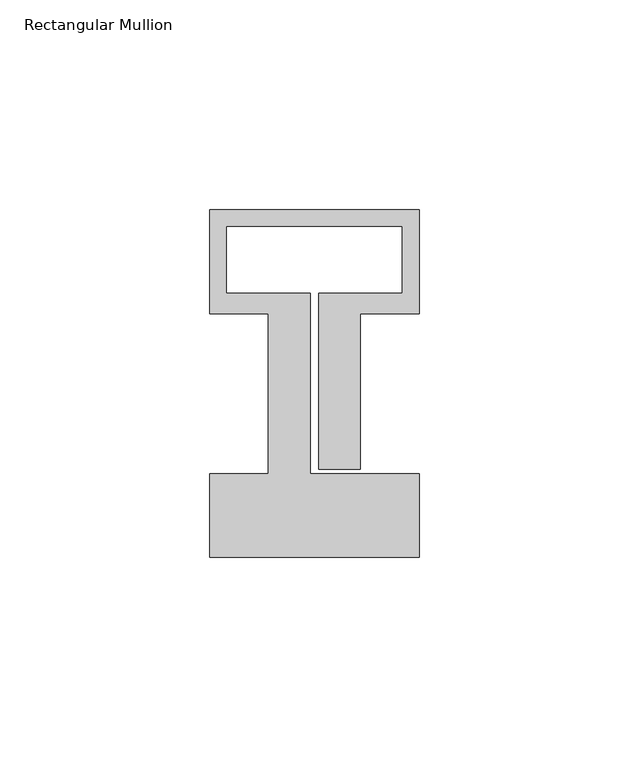
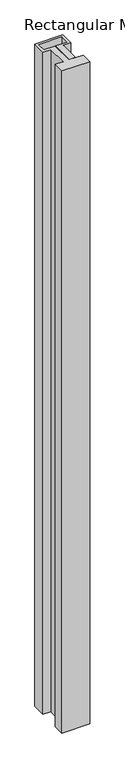
"""IFC4 building model written with IfcOpenShell, lengths in millimetres: member geometry, Rectangular Mullion."""

from ifc_helpers import new_model, si_unit, frame, origin, place, context, project, spatial, polyline, outline, extrude, source, transform, mapped, element, save


def rectangular_mullion_b8fa3d7c(model_context):
    return source(origin(), model_context, "Body", "SweptSolid", [
        extrude(outline(polyline([(-50.0, -58.0), (-50.0, -38.0), (-36.0, -38.0), (-36.0, 0.1), (-50.0, 0.1), (-50.0, 25.0), (0.0, 25.0), (0.0, 0.1), (-14.0, 0.1), (-14.0, -37.0), (-24.0, -37.0), (-24.0, 5.0), (-4.0, 5.0), (-4.0, 21.0), (-46.0, 21.0), (-46.0, 5.0), (-26.0, 5.0), (-26.0, -38.0), (0.0, -38.0), (0.0, -58.0), (-50.0, -58.0)])), frame((0.0, 0.0, -1253.5714288), z_axis=(0.0, 0.0, 1.0), x_axis=(1.0, 0.0, 0.0)), (0.0, 0.0, 1.0), 1253.5714288),
    ])


if __name__ == "__main__":
    model = new_model("IFC4")
    model_context = context("Model", 3, world=origin())
    ifc_project = project(units=[si_unit("LENGTHUNIT", "METRE", prefix="MILLI")], contexts=[model_context])
    site = spatial("IfcSite", under=ifc_project)
    building = spatial("IfcBuilding", under=site)
    placement = place(None, origin())
    rectangular_mullion_shape = rectangular_mullion_b8fa3d7c(model_context)
    element("IfcMember", 1, ObjectType="Rectangular Mullion", at=placement, inside=building, context=model_context, shape_type="MappedRepresentation", body=[
        mapped(rectangular_mullion_shape, transform((0.0, 0.0, 0.0), x_axis=(1.0, 0.0, 0.0), y_axis=(0.0, 1.0, 0.0), z_axis=(0.0, 0.0, 1.0))),
    ])
    save(model, "model.ifc")
